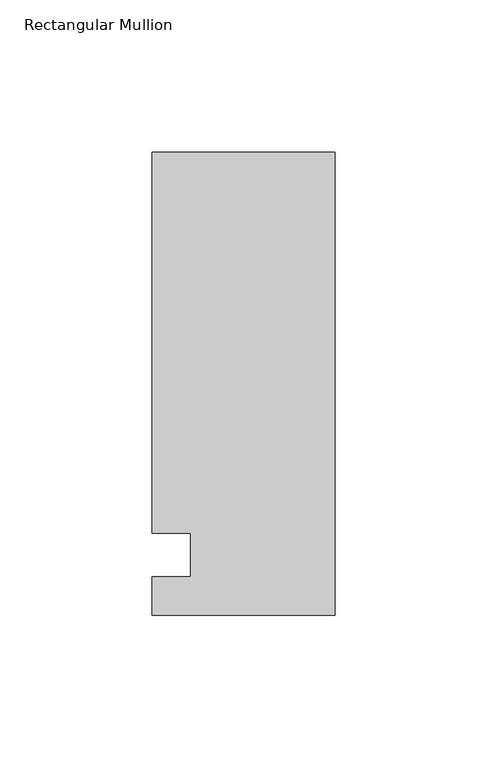
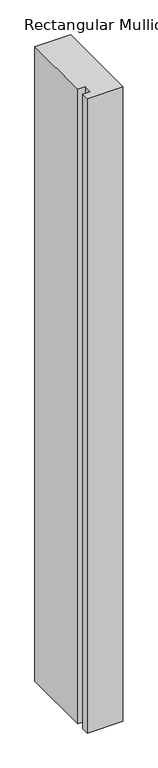
"""IFC4 building model written with IfcOpenShell, lengths in millimetres: member geometry, Rectangular Mullion."""

import ifcopenshell
import ifcopenshell.guid

model = None  # the IFC model being written
_history = None  # IfcOwnerHistory: only IFC2X3 demands one
_inside = {}  # id of a spatial element -> (the spatial element, [elements in it])
_under = {}  # id of a project, library or spatial element -> (it, [spatial elements below it])
_declared = {}  # id of a project -> (the project, [libraries it declares])
_typed = {}  # id of a type object -> (the type object, [elements of that type])
_made_of = {}  # id of a material, layer set ... -> (it, [elements and type objects made of it])


def new_model(schema):
    """Start an empty IFC model of exactly this schema.

    Asked for "IFC4X3", IfcOpenShell would pick the latest addendum, in which some entities
    have other attributes; the version numbers below select the first issue.
    IFC2X3 requires an IfcOwnerHistory on every rooted entity: one is made here for all.
    """
    global model, _history
    if schema == "IFC4X3":
        model = ifcopenshell.file(schema_version=(4, 3, 0, 0))
    else:
        model = ifcopenshell.file(schema=schema)
    _inside.clear()
    _under.clear()
    _declared.clear()
    _typed.clear()
    _made_of.clear()
    _history = None
    if model.schema == "IFC2X3":
        org = make("IfcOrganization", Name="unknown")
        user = make(
            "IfcPersonAndOrganization",
            ThePerson=make("IfcPerson", FamilyName="unknown"),
            TheOrganization=org,
        )
        app = make(
            "IfcApplication",
            ApplicationDeveloper=org,
            Version="unknown",
            ApplicationFullName="unknown",
            ApplicationIdentifier="unknown",
        )
        _history = make(
            "IfcOwnerHistory",
            OwningUser=user,
            OwningApplication=app,
            ChangeAction="ADDED",
            CreationDate=0,
        )
    return model


def make(cls, **values):
    """One entity of the class cls with the attributes given. An attribute that is None is left unset."""
    return model.create_entity(
        cls, **{name: value for name, value in values.items() if value is not None}
    )


def rooted(cls, **values):
    """An entity with a GlobalId (a new one), such as an element, a storey or a relation."""
    return make(cls, GlobalId=ifcopenshell.guid.new(), OwnerHistory=_history, **values)


def si_unit(unit_type, name, prefix=None):
    """IfcSIUnit, for example si_unit("LENGTHUNIT", "METRE", prefix="MILLI")."""
    return make("IfcSIUnit", UnitType=unit_type, Prefix=prefix, Name=name)


def assignment(units):
    """IfcUnitAssignment: the units of a project."""
    return None if units is None else make("IfcUnitAssignment", Units=units)


def point(xyz):
    """IfcCartesianPoint."""
    return None if xyz is None else make("IfcCartesianPoint", Coordinates=xyz)


def direction(xyz):
    """IfcDirection."""
    return None if xyz is None else make("IfcDirection", DirectionRatios=xyz)


def frame(location, z_axis=None, x_axis=None):
    """IfcAxis2Placement3D, a coordinate frame: its origin and axes. An axis left out is left unset."""
    return make(
        "IfcAxis2Placement3D",
        Location=point(location),
        Axis=direction(z_axis),
        RefDirection=direction(x_axis),
    )


def origin():
    """The frame at (0, 0, 0) with its axes left unset."""
    return frame((0.0, 0.0, 0.0))


def place(relative_to, where):
    """IfcLocalPlacement: puts the frame where relative to a parent placement (None: the world)."""
    return make(
        "IfcLocalPlacement", PlacementRelTo=relative_to, RelativePlacement=where
    )


def context(
    kind, dimensions, precision=None, world=None, true_north=None, identifier=None
):
    """IfcGeometricRepresentationContext, for example the 3D "Model" context."""
    return make(
        "IfcGeometricRepresentationContext",
        ContextIdentifier=identifier,
        ContextType=kind,
        CoordinateSpaceDimension=dimensions,
        Precision=precision,
        WorldCoordinateSystem=world,
        TrueNorth=true_north,
    )


def project(units=None, contexts=None):
    """IfcProject with its units and contexts."""
    return rooted(
        "IfcProject",
        Name="project",
        RepresentationContexts=contexts,
        UnitsInContext=assignment(units),
    )


def spatial(cls, under=None, at=None, **own):
    """A site, building, storey or space (cls), placed at a placement, below another one or the project."""
    s = rooted(cls, ObjectPlacement=at, **own)
    if under is not None:
        _under.setdefault(under.id(), (under, []))[1].append(s)
    return s


def polyline(points):
    """IfcPolyline through the points."""
    return make("IfcPolyline", Points=[point(p) for p in points])


def outline(outer, holes=None, kind="AREA"):
    """IfcArbitraryClosedProfileDef: a profile drawn as a closed curve; with holes, ...WithVoids."""
    if holes is None:
        return make("IfcArbitraryClosedProfileDef", ProfileType=kind, OuterCurve=outer)
    return make(
        "IfcArbitraryProfileDefWithVoids",
        ProfileType=kind,
        OuterCurve=outer,
        InnerCurves=holes,
    )


def extrude(swept, where, along, depth):
    """IfcExtrudedAreaSolid: the profile swept, set in the frame where, extruded along a direction by depth."""
    return make(
        "IfcExtrudedAreaSolid",
        SweptArea=swept,
        Position=where,
        ExtrudedDirection=direction(along),
        Depth=depth,
    )


def shape(context_of_items, identifier, shape_type, items):
    """IfcShapeRepresentation: the items that make up one representation, for example the "Body"."""
    return make(
        "IfcShapeRepresentation",
        ContextOfItems=context_of_items,
        RepresentationIdentifier=identifier,
        RepresentationType=shape_type,
        Items=items,
    )


def source(mapping_origin, context_of_items, identifier, shape_type, items):
    """IfcRepresentationMap: a shape defined once, which mapped items show again and again."""
    return make(
        "IfcRepresentationMap",
        MappingOrigin=mapping_origin,
        MappedRepresentation=shape(context_of_items, identifier, shape_type, items),
    )


def transform(
    local_origin,
    x_axis=None,
    y_axis=None,
    z_axis=None,
    scale=None,
    scale2=None,
    scale3=None,
    uniform=True,
):
    """IfcCartesianTransformationOperator3D, or its non-uniform kind. x_axis, y_axis, z_axis: its Axis1, 2, 3."""
    if uniform:
        return make(
            "IfcCartesianTransformationOperator3D",
            Axis1=direction(x_axis),
            Axis2=direction(y_axis),
            LocalOrigin=point(local_origin),
            Scale=scale,
            Axis3=direction(z_axis),
        )
    return make(
        "IfcCartesianTransformationOperator3DnonUniform",
        Axis1=direction(x_axis),
        Axis2=direction(y_axis),
        LocalOrigin=point(local_origin),
        Scale=scale,
        Axis3=direction(z_axis),
        Scale2=scale2,
        Scale3=scale3,
    )


def mapped(mapping_source, mapping_target):
    """IfcMappedItem: shows the shape of a source again, moved by a transform."""
    return make(
        "IfcMappedItem", MappingSource=mapping_source, MappingTarget=mapping_target
    )


def made_of(thing, what):
    """Note that an element or type object is made of a material, layer set ...; save() writes the relation."""
    if what is not None:
        _made_of.setdefault(what.id(), (what, []))[1].append(thing)
    return thing


def element(
    cls,
    number,
    at=None,
    inside=None,
    cuts=None,
    type_object=None,
    material=None,
    context=None,
    identifier="Body",
    shape_type=None,
    held_by="IfcProductDefinitionShape",
    body=None,
    shapes=None,
    **own,
):
    """One element of the class cls, such as IfcWall. Its Tag is "e" and its number.

    at: its placement. inside: the storey or other place that contains it. cuts: it is an
    opening in that element (IfcRelVoidsElement). A single representation is given by context,
    identifier, shape_type and body (its items); several are given by shapes. held_by: the class
    of the entity that holds the representations. save() writes the other relations.
    """
    e = rooted(cls, Tag="e%d" % number, ObjectPlacement=at, **own)
    if body is not None:
        shapes = [shape(context, identifier, shape_type, body)]
    if shapes is not None:
        e.Representation = make(held_by, Representations=shapes)
    if inside is not None:
        _inside.setdefault(inside.id(), (inside, []))[1].append(e)
    if cuts is not None:
        rooted(
            "IfcRelVoidsElement", RelatingBuildingElement=cuts, RelatedOpeningElement=e
        )
    if type_object is not None:
        _typed.setdefault(type_object.id(), (type_object, []))[1].append(e)
    return made_of(e, material)


def aggregate(whole, parts):
    """IfcRelAggregates: a whole, such as a stair, and the parts it consists of."""
    return rooted("IfcRelAggregates", RelatingObject=whole, RelatedObjects=parts)


def save(model, path):
    """Write the relations noted so far, then the file.

    IfcRelAggregates (storeys below a building ...), IfcRelContainedInSpatialStructure (elements
    in a storey), IfcRelDefinesByType, IfcRelAssociatesMaterial and IfcRelDeclares: one each for
    every whole, place, type object, material and project.
    """
    for whole, parts in _under.values():
        aggregate(whole, parts)
    for where, things in _inside.values():
        rooted(
            "IfcRelContainedInSpatialStructure",
            RelatedElements=things,
            RelatingStructure=where,
        )
    for kind, things in _typed.values():
        rooted("IfcRelDefinesByType", RelatedObjects=things, RelatingType=kind)
    for what, things in _made_of.values():
        rooted("IfcRelAssociatesMaterial", RelatedObjects=things, RelatingMaterial=what)
    for by, libraries in _declared.values():
        rooted("IfcRelDeclares", RelatingContext=by, RelatedDefinitions=libraries)
    model.write(path)


def rectangular_mullion_1096b511(model_context):
    return source(origin(), model_context, "Body", "SweptSolid", [
        extrude(outline(polyline([(-60.325, 132.55625), (0.0, 132.55625), (0.0, -19.84375), (-60.325, -19.84375), (-60.325, -7.14375), (-47.6232296, -7.14375), (-47.6232296, 7.14375), (-60.325, 7.14375), (-60.325, 132.55625)])), frame((0.0, 0.0, -1130.3), z_axis=(0.0, 0.0, 1.0), x_axis=(1.0, 0.0, 0.0)), (0.0, 0.0, 1.0), 1130.3),
    ])


if __name__ == "__main__":
    model = new_model("IFC4")
    model_context = context("Model", 3, world=origin())
    ifc_project = project(units=[si_unit("LENGTHUNIT", "METRE", prefix="MILLI")], contexts=[model_context])
    site = spatial("IfcSite", under=ifc_project)
    building = spatial("IfcBuilding", under=site)
    placement = place(None, origin())
    rectangular_mullion_shape = rectangular_mullion_1096b511(model_context)
    element("IfcMember", 1, ObjectType="Rectangular Mullion", at=placement, inside=building, context=model_context, shape_type="MappedRepresentation", body=[
        mapped(rectangular_mullion_shape, transform((0.0, 0.0, 0.0), x_axis=(1.0, 0.0, 0.0), y_axis=(0.0, 1.0, 0.0), z_axis=(0.0, 0.0, 1.0))),
    ])
    save(model, "model.ifc")
